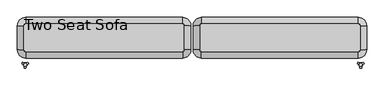
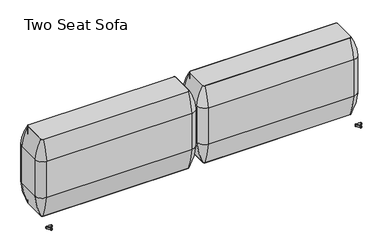
"""IFC4 building model written with IfcOpenShell, lengths in millimetres: furniture geometry, Two Seat Sofa."""

from ifc_helpers import new_model, si_unit, point, frame, frame_2d, origin, place, context, project, spatial, polyline, circle_curve, ellipse_curve, trimmed, segment, composite_curve, outline, extrude, source, transform, mapped, element, save
from ifc_brep_helpers import plane_surface, cylinder_surface, revolved_surface, advanced_brep


def two_seat_sofa_aba9447e(model_context):
    return source(origin(), model_context, "Body", "SolidModel", [
        extrude(outline(composite_curve([segment(trimmed(circle_curve(frame_2d((-213.138694, -52.3329307)), 9.8250752), [point((-203.3136188, -52.3329307))], [point((-213.138694, -62.1580059))], False, "CARTESIAN"), True, "CONTINUOUS"), segment(polyline([(-213.138694, -62.1580059), (-1197.4405465, -62.1580059)]), True, "CONTINUOUS"), segment(trimmed(circle_curve(frame_2d((-1197.4405465, -52.3329307)), 9.8250752), [point((-1197.4405465, -62.1580059))], [point((-1207.2656217, -52.3329307))], False, "CARTESIAN"), True, "CONTINUOUS"), segment(polyline([(-1207.2656217, -52.3329307), (-1207.2656217, 100.6400018)]), True, "CONTINUOUS"), segment(trimmed(circle_curve(frame_2d((-1197.4405465, 100.6400018)), 9.8250752), [point((-1207.2656217, 100.6400018))], [point((-1197.4405465, 110.465077))], False, "CARTESIAN"), True, "CONTINUOUS"), segment(polyline([(-1197.4405465, 110.465077), (-213.138694, 110.465077)]), True, "CONTINUOUS"), segment(trimmed(circle_curve(frame_2d((-213.138694, 100.6400018)), 9.8250752), [point((-213.138694, 110.465077))], [point((-203.3136188, 100.6400018))], False, "CARTESIAN"), True, "CONTINUOUS"), segment(polyline([(-203.3136188, 100.6400018), (-203.3136188, -52.3329307)]), True, "CONTINUOUS")], self_intersect=False)), frame((0.0, 0.0, 123.9999984), z_axis=(0.0, 0.0, 1.0), x_axis=(1.0, 0.0, 0.0)), (0.0, 0.0, 1.0), 552.7599232),
        advanced_brep(
        [(-1247.991929, 100.6400018, 283.1115097), (-1247.991929, -52.3329307, 283.1115097), (-1247.991929, -52.3329307, 543.4615097), (-1247.991929, 100.6400018, 543.4615097), (-1207.2656217, 100.6400018, 123.9999984), (-1207.2656217, -52.3329307, 123.9999984), (-1207.2656217, 100.6400018, 676.7599216), (-1207.2656217, -52.3329307, 676.7599216), (-1197.4405465, -102.8843132, 283.1115097), (-213.138694, -102.8843132, 283.1115097), (-213.138694, -102.8843132, 543.4615097), (-1197.4405465, -102.8843132, 543.4615097), (-1197.4405465, -62.1580059, 123.9999984), (-213.138694, -62.1580059, 123.9999984), (-1197.4405465, -62.1580059, 676.7599216), (-213.138694, -62.1580059, 676.7599216), (-162.5873115, -52.3329307, 283.1115097), (-162.5873115, 100.6400018, 283.1115097), (-162.5873115, 100.6400018, 543.4615097), (-162.5873115, -52.3329307, 543.4615097), (-203.3136188, -52.3329307, 123.9999984), (-203.3136188, 100.6400018, 123.9999984), (-203.3136188, -52.3329307, 676.7599216), (-203.3136188, 100.6400018, 676.7599216), (-213.138694, 151.1913843, 283.1115097), (-1197.4405465, 151.1913843, 283.1115097), (-1197.4405465, 151.1913843, 543.4615097), (-213.138694, 151.1913843, 543.4615097), (-213.138694, 110.465077, 123.9999984), (-1197.4405465, 110.465077, 123.9999984), (-213.138694, 110.465077, 676.7599216), (-1197.4405465, 110.465077, 676.7599216)],
        [
            (0, 1),
            (1, 2, circle_curve(frame((558.4957132, -52.3329307, 413.2865097), z_axis=(0.0, 1.0, 0.0), x_axis=(-1.0, 0.0, 0.0)), 1811.1717567)),
            (2, 3),
            (3, 0, circle_curve(frame((558.4957132, 100.6400018, 413.2865097), z_axis=(0.0, -1.0, 0.0), x_axis=(-1.0, 0.0, 0.0)), 1811.1717567)),
            (4, 5),
            (5, 1, circle_curve(frame((-787.0488338, -52.3329307, 316.3269417), z_axis=(0.0, 1.0, 0.0), x_axis=(-1.0, 0.0, 0.0)), 462.1382931)),
            (0, 4, circle_curve(frame((-787.0488338, 100.6400018, 316.3269417), z_axis=(0.0, -1.0, 0.0), x_axis=(-1.0, 0.0, 0.0)), 462.1382931)),
            (6, 7),
            (7, 5),
            (4, 6),
            (8, 9),
            (9, 10, circle_curve(frame((-213.138694, 1703.6033291, 413.2865097), z_axis=(-1.0, 0.0, 0.0), x_axis=(0.0, -1.0, 0.0)), 1811.1717567)),
            (10, 11),
            (11, 8, circle_curve(frame((-1197.4405465, 1703.6033291, 413.2865097), z_axis=(1.0, 0.0, 0.0), x_axis=(0.0, -1.0, 0.0)), 1811.1717567)),
            (12, 13),
            (13, 9, circle_curve(frame((-213.138694, 358.058782, 316.3269417), z_axis=(-1.0, 0.0, 0.0), x_axis=(0.0, -1.0, 0.0)), 462.1382931)),
            (8, 12, circle_curve(frame((-1197.4405465, 358.058782, 316.3269417), z_axis=(1.0, 0.0, 0.0), x_axis=(0.0, -1.0, 0.0)), 462.1382931)),
            (14, 15),
            (15, 13),
            (12, 14),
            (16, 17),
            (17, 18, circle_curve(frame((-1969.0749537, 100.6400018, 413.2865097), z_axis=(0.0, -1.0, 0.0), x_axis=(1.0, 0.0, 0.0)), 1811.1717567)),
            (18, 19),
            (19, 16, circle_curve(frame((-1969.0749537, -52.3329307, 413.2865097), z_axis=(0.0, 1.0, 0.0), x_axis=(1.0, 0.0, 0.0)), 1811.1717567)),
            (20, 21),
            (21, 17, circle_curve(frame((-623.5304067, 100.6400018, 316.3269417), z_axis=(0.0, -1.0, 0.0), x_axis=(1.0, 0.0, 0.0)), 462.1382931)),
            (16, 20, circle_curve(frame((-623.5304067, -52.3329307, 316.3269417), z_axis=(0.0, 1.0, 0.0), x_axis=(1.0, 0.0, 0.0)), 462.1382931)),
            (22, 23),
            (23, 21),
            (20, 22),
            (24, 25),
            (25, 26, circle_curve(frame((-1197.4405465, -1655.2962579, 413.2865097), z_axis=(1.0, 0.0, 0.0), x_axis=(0.0, 1.0, 0.0)), 1811.1717567)),
            (26, 27),
            (27, 24, circle_curve(frame((-213.138694, -1655.2962579, 413.2865097), z_axis=(-1.0, 0.0, 0.0), x_axis=(0.0, 1.0, 0.0)), 1811.1717567)),
            (28, 29),
            (29, 25, circle_curve(frame((-1197.4405465, -309.7517109, 316.3269417), z_axis=(1.0, 0.0, 0.0), x_axis=(0.0, 1.0, 0.0)), 462.1382931)),
            (24, 28, circle_curve(frame((-213.138694, -309.7517109, 316.3269417), z_axis=(-1.0, 0.0, 0.0), x_axis=(0.0, 1.0, 0.0)), 462.1382931)),
            (30, 31),
            (31, 29),
            (28, 30),
            (3, 26, circle_curve(frame((-1197.4405465, 100.6400018, 543.4615097), z_axis=(0.0, 0.0, -1.0), x_axis=(0.0, 1.0, 0.0)), 50.5513825)),
            (25, 0, circle_curve(frame((-1197.4405465, 100.6400018, 283.1115097), z_axis=(0.0, 0.0, 1.0), x_axis=(0.0, 1.0, 0.0)), 50.5513825)),
            (29, 4, circle_curve(frame((-1197.4405465, 100.6400018, 123.9999984), z_axis=(0.0, 0.0, 1.0), x_axis=(0.0, 1.0, 0.0)), 9.8250752)),
            (31, 6, circle_curve(frame((-1197.4405465, 100.6400018, 676.7599216), z_axis=(0.0, 0.0, 1.0), x_axis=(0.0, 1.0, 0.0)), 9.8250752)),
            (11, 2, circle_curve(frame((-1197.4405465, -52.3329307, 543.4615097), z_axis=(0.0, 0.0, -1.0), x_axis=(-1.0, 0.0, 0.0)), 50.5513825)),
            (1, 8, circle_curve(frame((-1197.4405465, -52.3329307, 283.1115097), z_axis=(0.0, 0.0, 1.0), x_axis=(-1.0, 0.0, 0.0)), 50.5513825)),
            (5, 12, circle_curve(frame((-1197.4405465, -52.3329307, 123.9999984), z_axis=(0.0, 0.0, 1.0), x_axis=(-1.0, 0.0, 0.0)), 9.8250752)),
            (7, 14, circle_curve(frame((-1197.4405465, -52.3329307, 676.7599216), z_axis=(0.0, 0.0, 1.0), x_axis=(-1.0, 0.0, 0.0)), 9.8250752)),
            (19, 10, circle_curve(frame((-213.138694, -52.3329307, 543.4615097), z_axis=(0.0, 0.0, -1.0), x_axis=(0.0, -1.0, 0.0)), 50.5513825)),
            (9, 16, circle_curve(frame((-213.138694, -52.3329307, 283.1115097), z_axis=(0.0, 0.0, 1.0), x_axis=(0.0, -1.0, 0.0)), 50.5513825)),
            (13, 20, circle_curve(frame((-213.138694, -52.3329307, 123.9999984), z_axis=(0.0, 0.0, 1.0), x_axis=(0.0, -1.0, 0.0)), 9.8250752)),
            (15, 22, circle_curve(frame((-213.138694, -52.3329307, 676.7599216), z_axis=(0.0, 0.0, 1.0), x_axis=(0.0, -1.0, 0.0)), 9.8250752)),
            (27, 18, circle_curve(frame((-213.138694, 100.6400018, 543.4615097), z_axis=(0.0, 0.0, -1.0), x_axis=(1.0, 0.0, 0.0)), 50.5513825)),
            (17, 24, circle_curve(frame((-213.138694, 100.6400018, 283.1115097), z_axis=(0.0, 0.0, 1.0), x_axis=(1.0, 0.0, 0.0)), 50.5513825)),
            (21, 28, circle_curve(frame((-213.138694, 100.6400018, 123.9999984), z_axis=(0.0, 0.0, 1.0), x_axis=(1.0, 0.0, 0.0)), 9.8250752)),
            (23, 30, circle_curve(frame((-213.138694, 100.6400018, 676.7599216), z_axis=(0.0, 0.0, 1.0), x_axis=(1.0, 0.0, 0.0)), 9.8250752)),
            (3, 6, circle_curve(frame((-935.8685118, 100.6400018, 520.9699825), z_axis=(0.0, 1.0, 0.0), x_axis=(-1.0, 0.0, 0.0)), 312.9327346)),
            (31, 26, circle_curve(frame((-1197.4405465, -160.9320329, 520.9699825), z_axis=(-1.0, 0.0, 0.0), x_axis=(0.0, 1.0, 0.0)), 312.9327346)),
            (2, 7, circle_curve(frame((-935.8685118, -52.3329307, 520.9699825), z_axis=(0.0, 1.0, 0.0), x_axis=(-1.0, 0.0, 0.0)), 312.9327346)),
            (11, 14, circle_curve(frame((-1197.4405465, 209.2391041, 520.9699825), z_axis=(-1.0, 0.0, 0.0), x_axis=(0.0, -1.0, 0.0)), 312.9327346)),
            (10, 15, circle_curve(frame((-213.138694, 209.2391041, 520.9699825), z_axis=(-1.0, 0.0, 0.0), x_axis=(0.0, -1.0, 0.0)), 312.9327346)),
            (19, 22, circle_curve(frame((-474.7107287, -52.3329307, 520.9699825), z_axis=(0.0, -1.0, 0.0), x_axis=(1.0, 0.0, 0.0)), 312.9327346)),
            (18, 23, circle_curve(frame((-474.7107287, 100.6400018, 520.9699825), z_axis=(0.0, -1.0, 0.0), x_axis=(1.0, 0.0, 0.0)), 312.9327346)),
            (27, 30, circle_curve(frame((-213.138694, -160.9320329, 520.9699825), z_axis=(1.0, 0.0, 0.0), x_axis=(0.0, 1.0, 0.0)), 312.9327346)),
        ],
        [
            cylinder_surface(frame((558.4957132, 100.6400018, 413.2865097), z_axis=(0.0, 1.0, 0.0), x_axis=(-1.0, 0.0, 0.0)), 1811.1717567),
            cylinder_surface(frame((-787.0488338, 100.6400018, 316.3269417), z_axis=(0.0, 1.0, 0.0), x_axis=(-1.0, 0.0, 0.0)), 462.1382931),
            plane_surface(frame((-1207.2656217, 100.6400018, 123.9999984), z_axis=(1.0, 0.0, 0.0), x_axis=(0.0, -1.0, 0.0))),
            cylinder_surface(frame((-1197.4405465, 1703.6033291, 413.2865097), z_axis=(-1.0, 0.0, 0.0), x_axis=(0.0, -1.0, 0.0)), 1811.1717567),
            cylinder_surface(frame((-1197.4405465, 358.058782, 316.3269417), z_axis=(-1.0, 0.0, 0.0), x_axis=(0.0, -1.0, 0.0)), 462.1382931),
            plane_surface(frame((-1197.4405465, -62.1580059, 123.9999984), z_axis=(0.0, 1.0, 0.0), x_axis=(1.0, 0.0, 0.0))),
            cylinder_surface(frame((-1969.0749537, -52.3329307, 413.2865097), z_axis=(0.0, -1.0, 0.0), x_axis=(1.0, 0.0, 0.0)), 1811.1717567),
            cylinder_surface(frame((-623.5304067, -52.3329307, 316.3269417), z_axis=(0.0, -1.0, 0.0), x_axis=(1.0, 0.0, 0.0)), 462.1382931),
            plane_surface(frame((-203.3136188, -52.3329307, 123.9999984), z_axis=(-1.0, 0.0, 0.0), x_axis=(0.0, 1.0, 0.0))),
            cylinder_surface(frame((-213.138694, -1655.2962579, 413.2865097), z_axis=(1.0, 0.0, 0.0), x_axis=(0.0, 1.0, 0.0)), 1811.1717567),
            cylinder_surface(frame((-213.138694, -309.7517109, 316.3269417), z_axis=(1.0, 0.0, 0.0), x_axis=(0.0, 1.0, 0.0)), 462.1382931),
            plane_surface(frame((-213.138694, 110.465077, 123.9999984), z_axis=(0.0, -1.0, 0.0), x_axis=(-1.0, 0.0, 0.0))),
            revolved_surface(trimmed(ellipse_curve(frame((-1197.4405465, -1655.2962579, 413.2865097), z_axis=(-1.0, 0.0, 0.0), x_axis=(0.0, 1.0, 0.0)), 1811.1717567, 1811.1717567), [point((-1197.4405465, 151.1913843, 543.4615097))], [point((-1197.4405465, 151.1913843, 283.1115097))], True, "CARTESIAN"), (-1197.4405465, 100.6400018, -1.2587073), (0.0, 0.0, -1.0)),
            revolved_surface(trimmed(ellipse_curve(frame((-1197.4405465, -309.7517109, 316.3269417), z_axis=(-1.0, 0.0, 0.0), x_axis=(0.0, 1.0, 0.0)), 462.1382931, 462.1382931), [point((-1197.4405465, 151.1913843, 283.1115097))], [point((-1197.4405465, 110.465077, 123.9999984))], True, "CARTESIAN"), (-1197.4405465, 100.6400018, -1.2587073), (0.0, 0.0, -1.0)),
            revolved_surface(polyline([(-1197.4405465, 110.465077, 123.9999984), (-1197.4405465, 110.465077, 676.7599216)]), (-1197.4405465, 100.6400018, -1.2587073), (0.0, 0.0, -1.0)),
            revolved_surface(trimmed(ellipse_curve(frame((558.4957132, -52.3329307, 413.2865097), z_axis=(0.0, -1.0, 0.0), x_axis=(-1.0, 0.0, 0.0)), 1811.1717567, 1811.1717567), [point((-1247.991929, -52.3329307, 543.4615097))], [point((-1247.991929, -52.3329307, 283.1115097))], True, "CARTESIAN"), (-1197.4405465, -52.3329307, -1.2587073), (0.0, 0.0, -1.0)),
            revolved_surface(trimmed(ellipse_curve(frame((-787.0488338, -52.3329307, 316.3269417), z_axis=(0.0, -1.0, 0.0), x_axis=(-1.0, 0.0, 0.0)), 462.1382931, 462.1382931), [point((-1247.991929, -52.3329307, 283.1115097))], [point((-1207.2656217, -52.3329307, 123.9999984))], True, "CARTESIAN"), (-1197.4405465, -52.3329307, -1.2587073), (0.0, 0.0, -1.0)),
            revolved_surface(polyline([(-1207.2656216999999, -52.3329307, 123.9999984), (-1207.2656216999999, -52.3329307, 676.7599216)]), (-1197.4405465, -52.3329307, -1.2587073), (0.0, 0.0, -1.0)),
            revolved_surface(trimmed(ellipse_curve(frame((-213.138694, 1703.6033291, 413.2865097), z_axis=(1.0, 0.0, 0.0), x_axis=(0.0, -1.0, 0.0)), 1811.1717567, 1811.1717567), [point((-213.138694, -102.8843132, 543.4615097))], [point((-213.138694, -102.8843132, 283.1115097))], True, "CARTESIAN"), (-213.138694, -52.3329307, -1.2587073), (0.0, 0.0, -1.0)),
            revolved_surface(trimmed(ellipse_curve(frame((-213.138694, 358.058782, 316.3269417), z_axis=(1.0, 0.0, 0.0), x_axis=(0.0, -1.0, 0.0)), 462.1382931, 462.1382931), [point((-213.138694, -102.8843132, 283.1115097))], [point((-213.138694, -62.1580059, 123.9999984))], True, "CARTESIAN"), (-213.138694, -52.3329307, -1.2587073), (0.0, 0.0, -1.0)),
            revolved_surface(polyline([(-213.138694, -62.1580059, 123.9999984), (-213.138694, -62.1580059, 676.7599216)]), (-213.138694, -52.3329307, -1.2587073), (0.0, 0.0, -1.0)),
            revolved_surface(trimmed(ellipse_curve(frame((-1969.0749537, 100.6400018, 413.2865097), z_axis=(0.0, 1.0, 0.0), x_axis=(1.0, 0.0, 0.0)), 1811.1717567, 1811.1717567), [point((-162.5873115, 100.6400018, 543.4615097))], [point((-162.5873115, 100.6400018, 283.1115097))], True, "CARTESIAN"), (-213.138694, 100.6400018, -1.2587073), (0.0, 0.0, -1.0)),
            revolved_surface(trimmed(ellipse_curve(frame((-623.5304067, 100.6400018, 316.3269417), z_axis=(0.0, 1.0, 0.0), x_axis=(1.0, 0.0, 0.0)), 462.1382931, 462.1382931), [point((-162.5873115, 100.6400018, 283.1115097))], [point((-203.3136188, 100.6400018, 123.9999984))], True, "CARTESIAN"), (-213.138694, 100.6400018, -1.2587073), (0.0, 0.0, -1.0)),
            revolved_surface(polyline([(-203.31361879999997, 100.6400018, 123.9999984), (-203.31361879999997, 100.6400018, 676.7599216)]), (-213.138694, 100.6400018, -1.2587073), (0.0, 0.0, -1.0)),
            revolved_surface(trimmed(ellipse_curve(frame((-1197.4405465, -160.9320329, 520.9699825), z_axis=(-1.0, 0.0, 0.0), x_axis=(0.0, 1.0, 0.0)), 312.9327346, 312.9327346), [point((-1197.4405465, 110.465077, 676.7599216))], [point((-1197.4405465, 151.1913843, 543.4615097))], True, "CARTESIAN"), (-1197.4405465, 100.6400018, -1.2587073), (0.0, 0.0, -1.0)),
            cylinder_surface(frame((-935.8685118, 100.6400018, 520.9699825), z_axis=(0.0, 1.0, 0.0), x_axis=(-1.0, 0.0, 0.0)), 312.9327346),
            revolved_surface(trimmed(ellipse_curve(frame((-935.8685118, -52.3329307, 520.9699825), z_axis=(0.0, -1.0, 0.0), x_axis=(-1.0, 0.0, 0.0)), 312.9327346, 312.9327346), [point((-1207.2656217, -52.3329307, 676.7599216))], [point((-1247.991929, -52.3329307, 543.4615097))], True, "CARTESIAN"), (-1197.4405465, -52.3329307, -1.2587073), (0.0, 0.0, -1.0)),
            cylinder_surface(frame((-1197.4405465, 209.2391041, 520.9699825), z_axis=(-1.0, 0.0, 0.0), x_axis=(0.0, -1.0, 0.0)), 312.9327346),
            revolved_surface(trimmed(ellipse_curve(frame((-213.138694, 209.2391041, 520.9699825), z_axis=(1.0, 0.0, 0.0), x_axis=(0.0, -1.0, 0.0)), 312.9327346, 312.9327346), [point((-213.138694, -62.1580059, 676.7599216))], [point((-213.138694, -102.8843132, 543.4615097))], True, "CARTESIAN"), (-213.138694, -52.3329307, -1.2587073), (0.0, 0.0, -1.0)),
            cylinder_surface(frame((-474.7107287, -52.3329307, 520.9699825), z_axis=(0.0, -1.0, 0.0), x_axis=(1.0, 0.0, 0.0)), 312.9327346),
            revolved_surface(trimmed(ellipse_curve(frame((-474.7107287, 100.6400018, 520.9699825), z_axis=(0.0, 1.0, 0.0), x_axis=(1.0, 0.0, 0.0)), 312.9327346, 312.9327346), [point((-203.3136188, 100.6400018, 676.7599216))], [point((-162.5873115, 100.6400018, 543.4615097))], True, "CARTESIAN"), (-213.138694, 100.6400018, -1.2587073), (0.0, 0.0, -1.0)),
            cylinder_surface(frame((-213.138694, -160.9320329, 520.9699825), z_axis=(1.0, 0.0, 0.0), x_axis=(0.0, 1.0, 0.0)), 312.9327346),
        ],
        [
            (0, [[1, 2, 3, 4]]),
            (1, [[5, 6, -1, 7]]),
            (2, [[8, 9, -5, 10]]),
            (3, [[11, 12, 13, 14]]),
            (4, [[15, 16, -11, 17]]),
            (5, [[18, 19, -15, 20]]),
            (6, [[21, 22, 23, 24]]),
            (7, [[25, 26, -21, 27]]),
            (8, [[28, 29, -25, 30]]),
            (9, [[31, 32, 33, 34]]),
            (10, [[35, 36, -31, 37]]),
            (11, [[38, 39, -35, 40]]),
            (12, [[-4, 41, -32, 42]]),
            (13, [[-7, -42, -36, 43]]),
            (14, [[-10, -43, -39, 44]]),
            (15, [[-14, 45, -2, 46]]),
            (16, [[-17, -46, -6, 47]]),
            (17, [[-20, -47, -9, 48]]),
            (18, [[-24, 49, -12, 50]]),
            (19, [[-27, -50, -16, 51]]),
            (20, [[-30, -51, -19, 52]]),
            (21, [[-34, 53, -22, 54]]),
            (22, [[-37, -54, -26, 55]]),
            (23, [[-40, -55, -29, 56]]),
            (24, [[57, -44, 58, -41]]),
            (25, [[-3, 59, -8, -57]]),
            (26, [[60, -48, -59, -45]]),
            (27, [[-13, 61, -18, -60]]),
            (28, [[62, -52, -61, -49]]),
            (29, [[-23, 63, -28, -62]]),
            (30, [[64, -56, -63, -53]]),
            (31, [[-33, -58, -38, -64]]),
        ],
    ),
        extrude(outline(composite_curve([segment(polyline([(-107.5769575, -52.3329307), (-107.5769575, 100.6400018)]), True, "CONTINUOUS"), segment(trimmed(circle_curve(frame_2d((-97.7518823, 100.6400018)), 9.8250752), [point((-107.5769575, 100.6400018))], [point((-97.7518823, 110.465077))], False, "CARTESIAN"), True, "CONTINUOUS"), segment(polyline([(-97.7518823, 110.465077), (886.5499702, 110.465077)]), True, "CONTINUOUS"), segment(trimmed(circle_curve(frame_2d((886.5499702, 100.6400018)), 9.8250752), [point((886.5499702, 110.465077))], [point((896.3750454, 100.6400018))], False, "CARTESIAN"), True, "CONTINUOUS"), segment(polyline([(896.3750454, 100.6400018), (896.3750454, -52.3329307)]), True, "CONTINUOUS"), segment(trimmed(circle_curve(frame_2d((886.5499702, -52.3329307)), 9.8250752), [point((896.3750454, -52.3329307))], [point((886.5499702, -62.1580059))], False, "CARTESIAN"), True, "CONTINUOUS"), segment(polyline([(886.5499702, -62.1580059), (-97.7518823, -62.1580059)]), True, "CONTINUOUS"), segment(trimmed(circle_curve(frame_2d((-97.7518823, -52.3329307)), 9.8250752), [point((-97.7518823, -62.1580059))], [point((-107.5769575, -52.3329307))], False, "CARTESIAN"), True, "CONTINUOUS")], self_intersect=False)), frame((0.0, 0.0, 123.9999984), z_axis=(0.0, 0.0, 1.0), x_axis=(1.0, 0.0, 0.0)), (0.0, 0.0, 1.0), 552.7599232),
        advanced_brep(
        [(937.1013527, 100.6400018, 283.1115097), (937.1013527, 100.6400018, 543.4615097), (937.1013527, -52.3329307, 543.4615097), (937.1013527, -52.3329307, 283.1115097), (896.3750454, 100.6400018, 123.9999984), (896.3750454, -52.3329307, 123.9999984), (896.3750454, 100.6400018, 676.7599216), (896.3750454, -52.3329307, 676.7599216), (886.5499702, -102.8843132, 283.1115097), (886.5499702, -102.8843132, 543.4615097), (-97.7518823, -102.8843132, 543.4615097), (-97.7518823, -102.8843132, 283.1115097), (886.5499702, -62.1580059, 123.9999984), (-97.7518823, -62.1580059, 123.9999984), (886.5499702, -62.1580059, 676.7599216), (-97.7518823, -62.1580059, 676.7599216), (-148.3032648, -52.3329307, 283.1115097), (-148.3032648, -52.3329307, 543.4615097), (-148.3032648, 100.6400018, 543.4615097), (-148.3032648, 100.6400018, 283.1115097), (-107.5769575, -52.3329307, 123.9999984), (-107.5769575, 100.6400018, 123.9999984), (-107.5769575, -52.3329307, 676.7599216), (-107.5769575, 100.6400018, 676.7599216), (-97.7518823, 151.1913843, 283.1115097), (-97.7518823, 151.1913843, 543.4615097), (886.5499702, 151.1913843, 543.4615097), (886.5499702, 151.1913843, 283.1115097), (-97.7518823, 110.465077, 123.9999984), (886.5499702, 110.465077, 123.9999984), (-97.7518823, 110.465077, 676.7599216), (886.5499702, 110.465077, 676.7599216)],
        [
            (0, 1, circle_curve(frame((-869.3862895, 100.6400018, 413.2865097), z_axis=(0.0, -1.0, 0.0), x_axis=(1.0, 0.0, 0.0)), 1811.1717567)),
            (1, 2),
            (2, 3, circle_curve(frame((-869.3862895, -52.3329307, 413.2865097), z_axis=(0.0, 1.0, 0.0), x_axis=(1.0, 0.0, 0.0)), 1811.1717567)),
            (3, 0),
            (4, 0, circle_curve(frame((476.1582575, 100.6400018, 316.3269417), z_axis=(0.0, -1.0, 0.0), x_axis=(1.0, 0.0, 0.0)), 462.1382931)),
            (3, 5, circle_curve(frame((476.1582575, -52.3329307, 316.3269417), z_axis=(0.0, 1.0, 0.0), x_axis=(1.0, 0.0, 0.0)), 462.1382931)),
            (5, 4),
            (6, 4),
            (5, 7),
            (7, 6),
            (8, 9, circle_curve(frame((886.5499702, 1703.6033291, 413.2865097), z_axis=(-1.0, 0.0, 0.0), x_axis=(0.0, -1.0, 0.0)), 1811.1717567)),
            (9, 10),
            (10, 11, circle_curve(frame((-97.7518823, 1703.6033291, 413.2865097), z_axis=(1.0, 0.0, 0.0), x_axis=(0.0, -1.0, 0.0)), 1811.1717567)),
            (11, 8),
            (12, 8, circle_curve(frame((886.5499702, 358.058782, 316.3269417), z_axis=(-1.0, 0.0, 0.0), x_axis=(0.0, -1.0, 0.0)), 462.1382931)),
            (11, 13, circle_curve(frame((-97.7518823, 358.058782, 316.3269417), z_axis=(1.0, 0.0, 0.0), x_axis=(0.0, -1.0, 0.0)), 462.1382931)),
            (13, 12),
            (14, 12),
            (13, 15),
            (15, 14),
            (16, 17, circle_curve(frame((1658.1843774, -52.3329307, 413.2865097), z_axis=(0.0, 1.0, 0.0), x_axis=(-1.0, 0.0, 0.0)), 1811.1717567)),
            (17, 18),
            (18, 19, circle_curve(frame((1658.1843774, 100.6400018, 413.2865097), z_axis=(0.0, -1.0, 0.0), x_axis=(-1.0, 0.0, 0.0)), 1811.1717567)),
            (19, 16),
            (20, 16, circle_curve(frame((312.6398304, -52.3329307, 316.3269417), z_axis=(0.0, 1.0, 0.0), x_axis=(-1.0, 0.0, 0.0)), 462.1382931)),
            (19, 21, circle_curve(frame((312.6398304, 100.6400018, 316.3269417), z_axis=(0.0, -1.0, 0.0), x_axis=(-1.0, 0.0, 0.0)), 462.1382931)),
            (21, 20),
            (22, 20),
            (21, 23),
            (23, 22),
            (24, 25, circle_curve(frame((-97.7518823, -1655.2962579, 413.2865097), z_axis=(1.0, 0.0, 0.0), x_axis=(0.0, 1.0, 0.0)), 1811.1717567)),
            (25, 26),
            (26, 27, circle_curve(frame((886.5499702, -1655.2962579, 413.2865097), z_axis=(-1.0, 0.0, 0.0), x_axis=(0.0, 1.0, 0.0)), 1811.1717567)),
            (27, 24),
            (28, 24, circle_curve(frame((-97.7518823, -309.7517109, 316.3269417), z_axis=(1.0, 0.0, 0.0), x_axis=(0.0, 1.0, 0.0)), 462.1382931)),
            (27, 29, circle_curve(frame((886.5499702, -309.7517109, 316.3269417), z_axis=(-1.0, 0.0, 0.0), x_axis=(0.0, 1.0, 0.0)), 462.1382931)),
            (29, 28),
            (30, 28),
            (29, 31),
            (31, 30),
            (0, 27, circle_curve(frame((886.5499702, 100.6400018, 283.1115097), z_axis=(0.0, 0.0, 1.0), x_axis=(0.0, 1.0, 0.0)), 50.5513825)),
            (26, 1, circle_curve(frame((886.5499702, 100.6400018, 543.4615097), z_axis=(0.0, 0.0, -1.0), x_axis=(0.0, 1.0, 0.0)), 50.5513825)),
            (4, 29, circle_curve(frame((886.5499702, 100.6400018, 123.9999984), z_axis=(0.0, 0.0, 1.0), x_axis=(0.0, 1.0, 0.0)), 9.8250752)),
            (6, 31, circle_curve(frame((886.5499702, 100.6400018, 676.7599216), z_axis=(0.0, 0.0, 1.0), x_axis=(0.0, 1.0, 0.0)), 9.8250752)),
            (8, 3, circle_curve(frame((886.5499702, -52.3329307, 283.1115097), z_axis=(0.0, 0.0, 1.0), x_axis=(1.0, 0.0, 0.0)), 50.5513825)),
            (2, 9, circle_curve(frame((886.5499702, -52.3329307, 543.4615097), z_axis=(0.0, 0.0, -1.0), x_axis=(1.0, 0.0, 0.0)), 50.5513825)),
            (12, 5, circle_curve(frame((886.5499702, -52.3329307, 123.9999984), z_axis=(0.0, 0.0, 1.0), x_axis=(1.0, 0.0, 0.0)), 9.8250752)),
            (14, 7, circle_curve(frame((886.5499702, -52.3329307, 676.7599216), z_axis=(0.0, 0.0, 1.0), x_axis=(1.0, 0.0, 0.0)), 9.8250752)),
            (16, 11, circle_curve(frame((-97.7518823, -52.3329307, 283.1115097), z_axis=(0.0, 0.0, 1.0), x_axis=(0.0, -1.0, 0.0)), 50.5513825)),
            (10, 17, circle_curve(frame((-97.7518823, -52.3329307, 543.4615097), z_axis=(0.0, 0.0, -1.0), x_axis=(0.0, -1.0, 0.0)), 50.5513825)),
            (20, 13, circle_curve(frame((-97.7518823, -52.3329307, 123.9999984), z_axis=(0.0, 0.0, 1.0), x_axis=(0.0, -1.0, 0.0)), 9.8250752)),
            (22, 15, circle_curve(frame((-97.7518823, -52.3329307, 676.7599216), z_axis=(0.0, 0.0, 1.0), x_axis=(0.0, -1.0, 0.0)), 9.8250752)),
            (24, 19, circle_curve(frame((-97.7518823, 100.6400018, 283.1115097), z_axis=(0.0, 0.0, 1.0), x_axis=(-1.0, 0.0, 0.0)), 50.5513825)),
            (18, 25, circle_curve(frame((-97.7518823, 100.6400018, 543.4615097), z_axis=(0.0, 0.0, -1.0), x_axis=(-1.0, 0.0, 0.0)), 50.5513825)),
            (28, 21, circle_curve(frame((-97.7518823, 100.6400018, 123.9999984), z_axis=(0.0, 0.0, 1.0), x_axis=(-1.0, 0.0, 0.0)), 9.8250752)),
            (30, 23, circle_curve(frame((-97.7518823, 100.6400018, 676.7599216), z_axis=(0.0, 0.0, 1.0), x_axis=(-1.0, 0.0, 0.0)), 9.8250752)),
            (26, 31, circle_curve(frame((886.5499702, -160.9320329, 520.9699825), z_axis=(1.0, 0.0, 0.0), x_axis=(0.0, 1.0, 0.0)), 312.9327346)),
            (6, 1, circle_curve(frame((624.9779355, 100.6400018, 520.9699825), z_axis=(0.0, 1.0, 0.0), x_axis=(1.0, 0.0, 0.0)), 312.9327346)),
            (7, 2, circle_curve(frame((624.9779355, -52.3329307, 520.9699825), z_axis=(0.0, 1.0, 0.0), x_axis=(1.0, 0.0, 0.0)), 312.9327346)),
            (14, 9, circle_curve(frame((886.5499702, 209.2391041, 520.9699825), z_axis=(1.0, 0.0, 0.0), x_axis=(0.0, -1.0, 0.0)), 312.9327346)),
            (15, 10, circle_curve(frame((-97.7518823, 209.2391041, 520.9699825), z_axis=(1.0, 0.0, 0.0), x_axis=(0.0, -1.0, 0.0)), 312.9327346)),
            (22, 17, circle_curve(frame((163.8201524, -52.3329307, 520.9699825), z_axis=(0.0, -1.0, 0.0), x_axis=(-1.0, 0.0, 0.0)), 312.9327346)),
            (23, 18, circle_curve(frame((163.8201524, 100.6400018, 520.9699825), z_axis=(0.0, -1.0, 0.0), x_axis=(-1.0, 0.0, 0.0)), 312.9327346)),
            (30, 25, circle_curve(frame((-97.7518823, -160.9320329, 520.9699825), z_axis=(-1.0, 0.0, 0.0), x_axis=(0.0, 1.0, 0.0)), 312.9327346)),
        ],
        [
            cylinder_surface(frame((-869.3862895, 100.6400018, 413.2865097), z_axis=(0.0, 1.0, 0.0), x_axis=(1.0, 0.0, 0.0)), 1811.1717567),
            cylinder_surface(frame((476.1582575, 100.6400018, 316.3269417), z_axis=(0.0, 1.0, 0.0), x_axis=(1.0, 0.0, 0.0)), 462.1382931),
            plane_surface(frame((896.3750454, 100.6400018, 123.9999984), z_axis=(-1.0, 0.0, 0.0), x_axis=(0.0, -1.0, 0.0))),
            cylinder_surface(frame((886.5499702, 1703.6033291, 413.2865097), z_axis=(1.0, 0.0, 0.0), x_axis=(0.0, -1.0, 0.0)), 1811.1717567),
            cylinder_surface(frame((886.5499702, 358.058782, 316.3269417), z_axis=(1.0, 0.0, 0.0), x_axis=(0.0, -1.0, 0.0)), 462.1382931),
            plane_surface(frame((886.5499702, -62.1580059, 123.9999984), z_axis=(0.0, 1.0, 0.0), x_axis=(-1.0, 0.0, 0.0))),
            cylinder_surface(frame((1658.1843774, -52.3329307, 413.2865097), z_axis=(0.0, -1.0, 0.0), x_axis=(-1.0, 0.0, 0.0)), 1811.1717567),
            cylinder_surface(frame((312.6398304, -52.3329307, 316.3269417), z_axis=(0.0, -1.0, 0.0), x_axis=(-1.0, 0.0, 0.0)), 462.1382931),
            plane_surface(frame((-107.5769575, -52.3329307, 123.9999984), z_axis=(1.0, 0.0, 0.0), x_axis=(0.0, 1.0, 0.0))),
            cylinder_surface(frame((-97.7518823, -1655.2962579, 413.2865097), z_axis=(-1.0, 0.0, 0.0), x_axis=(0.0, 1.0, 0.0)), 1811.1717567),
            cylinder_surface(frame((-97.7518823, -309.7517109, 316.3269417), z_axis=(-1.0, 0.0, 0.0), x_axis=(0.0, 1.0, 0.0)), 462.1382931),
            plane_surface(frame((-97.7518823, 110.465077, 123.9999984), z_axis=(0.0, -1.0, 0.0), x_axis=(1.0, 0.0, 0.0))),
            revolved_surface(trimmed(ellipse_curve(frame((886.5499702, -1655.2962579, 413.2865097), z_axis=(-1.0, 0.0, 0.0), x_axis=(0.0, 1.0, 0.0)), 1811.1717567, 1811.1717567), [point((886.5499702, 151.1913843, 543.4615097))], [point((886.5499702, 151.1913843, 283.1115097))], True, "CARTESIAN"), (886.5499702, 100.6400018, -1.2587073), (0.0, 0.0, -1.0)),
            revolved_surface(trimmed(ellipse_curve(frame((886.5499702, -309.7517109, 316.3269417), z_axis=(-1.0, 0.0, 0.0), x_axis=(0.0, 1.0, 0.0)), 462.1382931, 462.1382931), [point((886.5499702, 151.1913843, 283.1115097))], [point((886.5499702, 110.465077, 123.9999984))], True, "CARTESIAN"), (886.5499702, 100.6400018, -1.2587073), (0.0, 0.0, -1.0)),
            revolved_surface(polyline([(886.5499702, 110.465077, 123.9999984), (886.5499702, 110.465077, 676.7599216)]), (886.5499702, 100.6400018, -1.2587073), (0.0, 0.0, -1.0)),
            revolved_surface(trimmed(ellipse_curve(frame((-869.3862895, -52.3329307, 413.2865097), z_axis=(0.0, 1.0, 0.0), x_axis=(1.0, 0.0, 0.0)), 1811.1717567, 1811.1717567), [point((937.1013527, -52.3329307, 543.4615097))], [point((937.1013527, -52.3329307, 283.1115097))], True, "CARTESIAN"), (886.5499702, -52.3329307, -1.2587073), (0.0, 0.0, -1.0)),
            revolved_surface(trimmed(ellipse_curve(frame((476.1582575, -52.3329307, 316.3269417), z_axis=(0.0, 1.0, 0.0), x_axis=(1.0, 0.0, 0.0)), 462.1382931, 462.1382931), [point((937.1013527, -52.3329307, 283.1115097))], [point((896.3750454, -52.3329307, 123.9999984))], True, "CARTESIAN"), (886.5499702, -52.3329307, -1.2587073), (0.0, 0.0, -1.0)),
            revolved_surface(polyline([(896.3750454, -52.3329307, 123.9999984), (896.3750454, -52.3329307, 676.7599216)]), (886.5499702, -52.3329307, -1.2587073), (0.0, 0.0, -1.0)),
            revolved_surface(trimmed(ellipse_curve(frame((-97.7518823, 1703.6033291, 413.2865097), z_axis=(1.0, 0.0, 0.0), x_axis=(0.0, -1.0, 0.0)), 1811.1717567, 1811.1717567), [point((-97.7518823, -102.8843132, 543.4615097))], [point((-97.7518823, -102.8843132, 283.1115097))], True, "CARTESIAN"), (-97.7518823, -52.3329307, -1.2587073), (0.0, 0.0, -1.0)),
            revolved_surface(trimmed(ellipse_curve(frame((-97.7518823, 358.058782, 316.3269417), z_axis=(1.0, 0.0, 0.0), x_axis=(0.0, -1.0, 0.0)), 462.1382931, 462.1382931), [point((-97.7518823, -102.8843132, 283.1115097))], [point((-97.7518823, -62.1580059, 123.9999984))], True, "CARTESIAN"), (-97.7518823, -52.3329307, -1.2587073), (0.0, 0.0, -1.0)),
            revolved_surface(polyline([(-97.7518823, -62.1580059, 123.9999984), (-97.7518823, -62.1580059, 676.7599216)]), (-97.7518823, -52.3329307, -1.2587073), (0.0, 0.0, -1.0)),
            revolved_surface(trimmed(ellipse_curve(frame((1658.1843774, 100.6400018, 413.2865097), z_axis=(0.0, -1.0, 0.0), x_axis=(-1.0, 0.0, 0.0)), 1811.1717567, 1811.1717567), [point((-148.3032648, 100.6400018, 543.4615097))], [point((-148.3032648, 100.6400018, 283.1115097))], True, "CARTESIAN"), (-97.7518823, 100.6400018, -1.2587073), (0.0, 0.0, -1.0)),
            revolved_surface(trimmed(ellipse_curve(frame((312.6398304, 100.6400018, 316.3269417), z_axis=(0.0, -1.0, 0.0), x_axis=(-1.0, 0.0, 0.0)), 462.1382931, 462.1382931), [point((-148.3032648, 100.6400018, 283.1115097))], [point((-107.5769575, 100.6400018, 123.9999984))], True, "CARTESIAN"), (-97.7518823, 100.6400018, -1.2587073), (0.0, 0.0, -1.0)),
            revolved_surface(polyline([(-107.5769575, 100.6400018, 123.9999984), (-107.5769575, 100.6400018, 676.7599216)]), (-97.7518823, 100.6400018, -1.2587073), (0.0, 0.0, -1.0)),
            revolved_surface(trimmed(ellipse_curve(frame((886.5499702, -160.9320329, 520.9699825), z_axis=(-1.0, 0.0, 0.0), x_axis=(0.0, 1.0, 0.0)), 312.9327346, 312.9327346), [point((886.5499702, 110.465077, 676.7599216))], [point((886.5499702, 151.1913843, 543.4615097))], True, "CARTESIAN"), (886.5499702, 100.6400018, -1.2587073), (0.0, 0.0, -1.0)),
            cylinder_surface(frame((624.9779355, 100.6400018, 520.9699825), z_axis=(0.0, 1.0, 0.0), x_axis=(1.0, 0.0, 0.0)), 312.9327346),
            revolved_surface(trimmed(ellipse_curve(frame((624.9779355, -52.3329307, 520.9699825), z_axis=(0.0, 1.0, 0.0), x_axis=(1.0, 0.0, 0.0)), 312.9327346, 312.9327346), [point((896.3750454, -52.3329307, 676.7599216))], [point((937.1013527, -52.3329307, 543.4615097))], True, "CARTESIAN"), (886.5499702, -52.3329307, -1.2587073), (0.0, 0.0, -1.0)),
            cylinder_surface(frame((886.5499702, 209.2391041, 520.9699825), z_axis=(1.0, 0.0, 0.0), x_axis=(0.0, -1.0, 0.0)), 312.9327346),
            revolved_surface(trimmed(ellipse_curve(frame((-97.7518823, 209.2391041, 520.9699825), z_axis=(1.0, 0.0, 0.0), x_axis=(0.0, -1.0, 0.0)), 312.9327346, 312.9327346), [point((-97.7518823, -62.1580059, 676.7599216))], [point((-97.7518823, -102.8843132, 543.4615097))], True, "CARTESIAN"), (-97.7518823, -52.3329307, -1.2587073), (0.0, 0.0, -1.0)),
            cylinder_surface(frame((163.8201524, -52.3329307, 520.9699825), z_axis=(0.0, -1.0, 0.0), x_axis=(-1.0, 0.0, 0.0)), 312.9327346),
            revolved_surface(trimmed(ellipse_curve(frame((163.8201524, 100.6400018, 520.9699825), z_axis=(0.0, -1.0, 0.0), x_axis=(-1.0, 0.0, 0.0)), 312.9327346, 312.9327346), [point((-107.5769575, 100.6400018, 676.7599216))], [point((-148.3032648, 100.6400018, 543.4615097))], True, "CARTESIAN"), (-97.7518823, 100.6400018, -1.2587073), (0.0, 0.0, -1.0)),
            cylinder_surface(frame((-97.7518823, -160.9320329, 520.9699825), z_axis=(-1.0, 0.0, 0.0), x_axis=(0.0, 1.0, 0.0)), 312.9327346),
        ],
        [
            (0, [[1, 2, 3, 4]]),
            (1, [[5, -4, 6, 7]]),
            (2, [[8, -7, 9, 10]]),
            (3, [[11, 12, 13, 14]]),
            (4, [[15, -14, 16, 17]]),
            (5, [[18, -17, 19, 20]]),
            (6, [[21, 22, 23, 24]]),
            (7, [[25, -24, 26, 27]]),
            (8, [[28, -27, 29, 30]]),
            (9, [[31, 32, 33, 34]]),
            (10, [[35, -34, 36, 37]]),
            (11, [[38, -37, 39, 40]]),
            (12, [[41, -33, 42, -1]]),
            (13, [[43, -36, -41, -5]]),
            (14, [[44, -39, -43, -8]]),
            (15, [[45, -3, 46, -11]]),
            (16, [[47, -6, -45, -15]]),
            (17, [[48, -9, -47, -18]]),
            (18, [[49, -13, 50, -21]]),
            (19, [[51, -16, -49, -25]]),
            (20, [[52, -19, -51, -28]]),
            (21, [[53, -23, 54, -31]]),
            (22, [[55, -26, -53, -35]]),
            (23, [[56, -29, -55, -38]]),
            (24, [[-42, 57, -44, 58]]),
            (25, [[-58, -10, 59, -2]]),
            (26, [[-46, -59, -48, 60]]),
            (27, [[-60, -20, 61, -12]]),
            (28, [[-50, -61, -52, 62]]),
            (29, [[-62, -30, 63, -22]]),
            (30, [[-54, -63, -56, 64]]),
            (31, [[-64, -40, -57, -32]]),
        ],
    ),
        advanced_brep(
        [(-1216.6567178, -130.2721038, 98.611642), (-1220.879306, -137.585841, 98.611642), (-1220.4813572, -138.7518724, 98.611642), (-1204.6620864, -166.1516574, 98.611642), (-1203.8512529, -167.0792988, 98.611642), (-1195.4060744, -167.0792988, 98.611642), (-1194.6015461, -165.9895174, 98.611642), (-1178.4992931, -138.4877144, 98.611642), (-1178.378016, -137.5858427, 98.611642), (-1182.600606, -130.2721023, 98.611642), (-1183.8093894, -130.0337175, 98.611642), (-1215.4479379, -130.0337175, 98.611642), (-1190.2557871, -145.1926245, 98.611642), (-1209.160799, -145.1926245, 98.611642), (-1216.6567178, -130.2721038, 88.6531552), (-1215.4479379, -130.0337175, 88.6531552), (-1183.8093894, -130.0337175, 88.6531552), (-1182.600606, -130.2721023, 88.6531552), (-1178.378016, -137.5858427, 88.6531552), (-1178.4992931, -138.4877144, 88.6531552), (-1194.6015461, -165.9895174, 88.6531552), (-1195.4060744, -167.0792988, 88.6531552), (-1203.8512529, -167.0792988, 88.6531552), (-1204.6620864, -166.1516574, 88.6531552), (-1220.4813572, -138.7518724, 88.6531552), (-1220.879306, -137.585841, 88.6531552), (-1209.160799, -145.1926245, 103.6569541), (-1190.2557871, -145.1926245, 103.6569541)],
        [
            (0, 1, circle_curve(frame((-1198.3972298, -145.690049, 98.611642), z_axis=(0.0, 0.0, 1.0), x_axis=(1.0, 0.0, 0.0)), 23.8981576)),
            (1, 2, circle_curve(frame((-1219.9517474, -137.920202, 98.611642), z_axis=(0.0, 0.0, 1.0), x_axis=(1.0, 0.0, 0.0)), 0.9859828)),
            (2, 3, circle_curve(frame((-1238.8767271, -167.6389644, 98.611642), z_axis=(0.0, 0.0, -1.0), x_axis=(1.0, 0.0, 0.0)), 34.246952)),
            (3, 4, circle_curve(frame((-1203.6770431, -166.1088376, 98.611642), z_axis=(0.0, 0.0, 1.0), x_axis=(1.0, 0.0, 0.0)), 0.9859736)),
            (4, 5, circle_curve(frame((-1199.6286636, -143.5567534, 98.611642), z_axis=(0.0, 0.0, 1.0), x_axis=(1.0, 0.0, 0.0)), 23.8985439)),
            (5, 6, circle_curve(frame((-1195.5802862, -166.1088262, 98.611642), z_axis=(0.0, 0.0, 1.0), x_axis=(1.0, 0.0, 0.0)), 0.9859852)),
            (6, 7, circle_curve(frame((-1160.3798725, -167.5614211, 98.611642), z_axis=(0.0, 0.0, -1.0), x_axis=(1.0, 0.0, 0.0)), 34.2577557)),
            (7, 8, circle_curve(frame((-1179.3055775, -137.9202011, 98.611642), z_axis=(0.0, 0.0, 1.0), x_axis=(1.0, 0.0, 0.0)), 0.9859847)),
            (8, 9, circle_curve(frame((-1200.8597064, -145.6898258, 98.611642), z_axis=(0.0, 0.0, 1.0), x_axis=(1.0, 0.0, 0.0)), 23.8977184)),
            (9, 10, circle_curve(frame((-1183.3539522, -130.9082171, 98.611642), z_axis=(0.0, 0.0, 1.0), x_axis=(1.0, 0.0, 0.0)), 0.9859881)),
            (10, 11, circle_curve(frame((-1199.6286636, -99.6586209, 98.611642), z_axis=(0.0, 0.0, -1.0), x_axis=(1.0, 0.0, 0.0)), 34.2475683)),
            (11, 0, circle_curve(frame((-1215.9033729, -130.9082131, 98.611642), z_axis=(0.0, 0.0, 1.0), x_axis=(1.0, 0.0, 0.0)), 0.9859835)),
            (12, 13, circle_curve(frame((-1199.7082931, -145.1926245, 98.611642), z_axis=(0.0, 0.0, -1.0), x_axis=(1.0, 0.0, 0.0)), 9.452506)),
            (13, 12, circle_curve(frame((-1199.7082931, -145.1926245, 98.611642), z_axis=(0.0, 0.0, -1.0), x_axis=(1.0, 0.0, 0.0)), 9.452506)),
            (14, 15, circle_curve(frame((-1215.9033729, -130.9082131, 88.6531552), z_axis=(0.0, 0.0, -1.0), x_axis=(1.0, 0.0, 0.0)), 0.9859835)),
            (15, 16, circle_curve(frame((-1199.6286636, -99.6586209, 88.6531552), z_axis=(0.0, 0.0, 1.0), x_axis=(1.0, 0.0, 0.0)), 34.2475683)),
            (16, 17, circle_curve(frame((-1183.3539522, -130.9082171, 88.6531552), z_axis=(0.0, 0.0, -1.0), x_axis=(1.0, 0.0, 0.0)), 0.9859881)),
            (17, 18, circle_curve(frame((-1200.8597064, -145.6898258, 88.6531552), z_axis=(0.0, 0.0, -1.0), x_axis=(1.0, 0.0, 0.0)), 23.8977184)),
            (18, 19, circle_curve(frame((-1179.3055775, -137.9202011, 88.6531552), z_axis=(0.0, 0.0, -1.0), x_axis=(1.0, 0.0, 0.0)), 0.9859847)),
            (19, 20, circle_curve(frame((-1160.3798725, -167.5614211, 88.6531552), z_axis=(0.0, 0.0, 1.0), x_axis=(1.0, 0.0, 0.0)), 34.2577557)),
            (20, 21, circle_curve(frame((-1195.5802862, -166.1088262, 88.6531552), z_axis=(0.0, 0.0, -1.0), x_axis=(1.0, 0.0, 0.0)), 0.9859852)),
            (21, 22, circle_curve(frame((-1199.6286636, -143.5567534, 88.6531552), z_axis=(0.0, 0.0, -1.0), x_axis=(1.0, 0.0, 0.0)), 23.8985439)),
            (22, 23, circle_curve(frame((-1203.6770431, -166.1088376, 88.6531552), z_axis=(0.0, 0.0, -1.0), x_axis=(1.0, 0.0, 0.0)), 0.9859736)),
            (23, 24, circle_curve(frame((-1238.8767271, -167.6389644, 88.6531552), z_axis=(0.0, 0.0, 1.0), x_axis=(1.0, 0.0, 0.0)), 34.246952)),
            (24, 25, circle_curve(frame((-1219.9517474, -137.920202, 88.6531552), z_axis=(0.0, 0.0, -1.0), x_axis=(1.0, 0.0, 0.0)), 0.9859828)),
            (25, 14, circle_curve(frame((-1198.3972298, -145.690049, 88.6531552), z_axis=(0.0, 0.0, -1.0), x_axis=(1.0, 0.0, 0.0)), 23.8981576)),
            (26, 27, circle_curve(frame((-1199.7082931, -145.1926245, 103.6569541), z_axis=(0.0, 0.0, 1.0), x_axis=(1.0, 0.0, 0.0)), 9.452506)),
            (27, 26, circle_curve(frame((-1199.7082931, -145.1926245, 103.6569541), z_axis=(0.0, 0.0, 1.0), x_axis=(1.0, 0.0, 0.0)), 9.452506)),
            (0, 14),
            (25, 1),
            (24, 2),
            (23, 3),
            (22, 4),
            (21, 5),
            (20, 6),
            (19, 7),
            (18, 8),
            (17, 9),
            (16, 10),
            (15, 11),
            (26, 13),
            (12, 27),
        ],
        [
            plane_surface(frame((-1174.4990722, -145.690049, 98.611642), z_axis=(0.0, 0.0, 1.0), x_axis=(0.0, 1.0, 0.0))),
            plane_surface(frame((-1174.4990722, -145.690049, 88.6531552), z_axis=(0.0, 0.0, -1.0), x_axis=(0.0, -1.0, 0.0))),
            plane_surface(frame((-1190.2557871, -145.1926245, 103.6569541), z_axis=(0.0, 0.0, 1.0), x_axis=(0.0, 1.0, 0.0))),
            cylinder_surface(frame((-1198.3972298, -145.690049, 88.6531552), z_axis=(0.0, 0.0, 1.0), x_axis=(1.0, 0.0, 0.0)), 23.8981576),
            cylinder_surface(frame((-1219.9517474, -137.920202, 88.6531552), z_axis=(0.0, 0.0, 1.0), x_axis=(1.0, 0.0, 0.0)), 0.9859828),
            revolved_surface(polyline([(-1204.6297751, -167.6389644, 88.6531552), (-1204.6297751, -167.6389644, 98.611642)]), (-1238.8767271, -167.6389644, 88.6531552), (0.0, 0.0, -1.0)),
            cylinder_surface(frame((-1203.6770431, -166.1088376, 88.6531552), z_axis=(0.0, 0.0, 1.0), x_axis=(1.0, 0.0, 0.0)), 0.9859736),
            cylinder_surface(frame((-1199.6286636, -143.5567534, 88.6531552), z_axis=(0.0, 0.0, 1.0), x_axis=(1.0, 0.0, 0.0)), 23.8985439),
            cylinder_surface(frame((-1195.5802862, -166.1088262, 88.6531552), z_axis=(0.0, 0.0, 1.0), x_axis=(1.0, 0.0, 0.0)), 0.9859852),
            revolved_surface(polyline([(-1126.1221168, -167.5614211, 88.6531552), (-1126.1221168, -167.5614211, 98.611642)]), (-1160.3798725, -167.5614211, 88.6531552), (0.0, 0.0, -1.0)),
            cylinder_surface(frame((-1179.3055775, -137.9202011, 88.6531552), z_axis=(0.0, 0.0, 1.0), x_axis=(1.0, 0.0, 0.0)), 0.9859847),
            cylinder_surface(frame((-1200.8597064, -145.6898258, 88.6531552), z_axis=(0.0, 0.0, 1.0), x_axis=(1.0, 0.0, 0.0)), 23.8977184),
            cylinder_surface(frame((-1183.3539522, -130.9082171, 88.6531552), z_axis=(0.0, 0.0, 1.0), x_axis=(1.0, 0.0, 0.0)), 0.9859881),
            revolved_surface(polyline([(-1165.3810953, -99.6586209, 88.6531552), (-1165.3810953, -99.6586209, 98.611642)]), (-1199.6286636, -99.6586209, 88.6531552), (0.0, 0.0, -1.0)),
            cylinder_surface(frame((-1215.9033729, -130.9082131, 88.6531552), z_axis=(0.0, 0.0, 1.0), x_axis=(1.0, 0.0, 0.0)), 0.9859835),
            cylinder_surface(frame((-1199.7082931, -145.1926245, 98.611642), z_axis=(0.0, 0.0, 1.0), x_axis=(1.0, 0.0, 0.0)), 9.452506),
        ],
        [
            (0, [[1, 2, 3, 4, 5, 6, 7, 8, 9, 10, 11, 12], [13, 14]]),
            (1, [[15, 16, 17, 18, 19, 20, 21, 22, 23, 24, 25, 26]]),
            (2, [[27, 28]]),
            (3, [[-1, 29, -26, 30]]),
            (4, [[-2, -30, -25, 31]]),
            (5, [[-3, -31, -24, 32]]),
            (6, [[-4, -32, -23, 33]]),
            (7, [[-5, -33, -22, 34]]),
            (8, [[-6, -34, -21, 35]]),
            (9, [[-7, -35, -20, 36]]),
            (10, [[-8, -36, -19, 37]]),
            (11, [[-9, -37, -18, 38]]),
            (12, [[-10, -38, -17, 39]]),
            (13, [[-11, -39, -16, 40]]),
            (14, [[-12, -40, -15, -29]]),
            (15, [[-27, 41, -13, 42]]),
            (15, [[-28, -42, -14, -41]]),
        ],
    ),
        advanced_brep(
        [(883.5433829, -130.2721038, 98.611642), (879.3207947, -137.585841, 98.611642), (879.7187435, -138.7518724, 98.611642), (895.5380143, -166.1516574, 98.611642), (896.3488478, -167.0792988, 98.611642), (904.7940264, -167.0792988, 98.611642), (905.5985546, -165.9895174, 98.611642), (921.7008076, -138.4877144, 98.611642), (921.8220847, -137.5858427, 98.611642), (917.5994947, -130.2721023, 98.611642), (916.3907113, -130.0337175, 98.611642), (884.7521628, -130.0337175, 98.611642), (909.9443136, -145.1926245, 98.611642), (891.0393017, -145.1926245, 98.611642), (883.5433829, -130.2721038, 88.6531552), (884.7521628, -130.0337175, 88.6531552), (916.3907113, -130.0337175, 88.6531552), (917.5994947, -130.2721023, 88.6531552), (921.8220847, -137.5858427, 88.6531552), (921.7008076, -138.4877144, 88.6531552), (905.5985546, -165.9895174, 88.6531552), (904.7940264, -167.0792988, 88.6531552), (896.3488478, -167.0792988, 88.6531552), (895.5380143, -166.1516574, 88.6531552), (879.7187435, -138.7518724, 88.6531552), (879.3207947, -137.585841, 88.6531552), (891.0393017, -145.1926245, 103.6569541), (909.9443136, -145.1926245, 103.6569541)],
        [
            (0, 1, circle_curve(frame((901.8028709, -145.690049, 98.611642), z_axis=(0.0, 0.0, 1.0), x_axis=(1.0, 0.0, 0.0)), 23.8981576)),
            (1, 2, circle_curve(frame((880.2483533, -137.920202, 98.611642), z_axis=(0.0, 0.0, 1.0), x_axis=(1.0, 0.0, 0.0)), 0.9859828)),
            (2, 3, circle_curve(frame((861.3233736, -167.6389644, 98.611642), z_axis=(0.0, 0.0, -1.0), x_axis=(1.0, 0.0, 0.0)), 34.246952)),
            (3, 4, circle_curve(frame((896.5230576, -166.1088376, 98.611642), z_axis=(0.0, 0.0, 1.0), x_axis=(1.0, 0.0, 0.0)), 0.9859736)),
            (4, 5, circle_curve(frame((900.5714371, -143.5567534, 98.611642), z_axis=(0.0, 0.0, 1.0), x_axis=(1.0, 0.0, 0.0)), 23.8985439)),
            (5, 6, circle_curve(frame((904.6198145, -166.1088262, 98.611642), z_axis=(0.0, 0.0, 1.0), x_axis=(1.0, 0.0, 0.0)), 0.9859852)),
            (6, 7, circle_curve(frame((939.8202282, -167.5614211, 98.611642), z_axis=(0.0, 0.0, -1.0), x_axis=(1.0, 0.0, 0.0)), 34.2577557)),
            (7, 8, circle_curve(frame((920.8945232, -137.9202011, 98.611642), z_axis=(0.0, 0.0, 1.0), x_axis=(1.0, 0.0, 0.0)), 0.9859847)),
            (8, 9, circle_curve(frame((899.3403943, -145.6898258, 98.611642), z_axis=(0.0, 0.0, 1.0), x_axis=(1.0, 0.0, 0.0)), 23.8977184)),
            (9, 10, circle_curve(frame((916.8461485, -130.9082171, 98.611642), z_axis=(0.0, 0.0, 1.0), x_axis=(1.0, 0.0, 0.0)), 0.9859881)),
            (10, 11, circle_curve(frame((900.5714371, -99.6586209, 98.611642), z_axis=(0.0, 0.0, -1.0), x_axis=(1.0, 0.0, 0.0)), 34.2475683)),
            (11, 0, circle_curve(frame((884.2967278, -130.9082131, 98.611642), z_axis=(0.0, 0.0, 1.0), x_axis=(1.0, 0.0, 0.0)), 0.9859835)),
            (12, 13, circle_curve(frame((900.4918076, -145.1926245, 98.611642), z_axis=(0.0, 0.0, -1.0), x_axis=(1.0, 0.0, 0.0)), 9.452506)),
            (13, 12, circle_curve(frame((900.4918076, -145.1926245, 98.611642), z_axis=(0.0, 0.0, -1.0), x_axis=(1.0, 0.0, 0.0)), 9.452506)),
            (14, 15, circle_curve(frame((884.2967278, -130.9082131, 88.6531552), z_axis=(0.0, 0.0, -1.0), x_axis=(1.0, 0.0, 0.0)), 0.9859835)),
            (15, 16, circle_curve(frame((900.5714371, -99.6586209, 88.6531552), z_axis=(0.0, 0.0, 1.0), x_axis=(1.0, 0.0, 0.0)), 34.2475683)),
            (16, 17, circle_curve(frame((916.8461485, -130.9082171, 88.6531552), z_axis=(0.0, 0.0, -1.0), x_axis=(1.0, 0.0, 0.0)), 0.9859881)),
            (17, 18, circle_curve(frame((899.3403943, -145.6898258, 88.6531552), z_axis=(0.0, 0.0, -1.0), x_axis=(1.0, 0.0, 0.0)), 23.8977184)),
            (18, 19, circle_curve(frame((920.8945232, -137.9202011, 88.6531552), z_axis=(0.0, 0.0, -1.0), x_axis=(1.0, 0.0, 0.0)), 0.9859847)),
            (19, 20, circle_curve(frame((939.8202282, -167.5614211, 88.6531552), z_axis=(0.0, 0.0, 1.0), x_axis=(1.0, 0.0, 0.0)), 34.2577557)),
            (20, 21, circle_curve(frame((904.6198145, -166.1088262, 88.6531552), z_axis=(0.0, 0.0, -1.0), x_axis=(1.0, 0.0, 0.0)), 0.9859852)),
            (21, 22, circle_curve(frame((900.5714371, -143.5567534, 88.6531552), z_axis=(0.0, 0.0, -1.0), x_axis=(1.0, 0.0, 0.0)), 23.8985439)),
            (22, 23, circle_curve(frame((896.5230576, -166.1088376, 88.6531552), z_axis=(0.0, 0.0, -1.0), x_axis=(1.0, 0.0, 0.0)), 0.9859736)),
            (23, 24, circle_curve(frame((861.3233736, -167.6389644, 88.6531552), z_axis=(0.0, 0.0, 1.0), x_axis=(1.0, 0.0, 0.0)), 34.246952)),
            (24, 25, circle_curve(frame((880.2483533, -137.920202, 88.6531552), z_axis=(0.0, 0.0, -1.0), x_axis=(1.0, 0.0, 0.0)), 0.9859828)),
            (25, 14, circle_curve(frame((901.8028709, -145.690049, 88.6531552), z_axis=(0.0, 0.0, -1.0), x_axis=(1.0, 0.0, 0.0)), 23.8981576)),
            (26, 27, circle_curve(frame((900.4918076, -145.1926245, 103.6569541), z_axis=(0.0, 0.0, 1.0), x_axis=(1.0, 0.0, 0.0)), 9.452506)),
            (27, 26, circle_curve(frame((900.4918076, -145.1926245, 103.6569541), z_axis=(0.0, 0.0, 1.0), x_axis=(1.0, 0.0, 0.0)), 9.452506)),
            (0, 14),
            (25, 1),
            (24, 2),
            (23, 3),
            (22, 4),
            (21, 5),
            (20, 6),
            (19, 7),
            (18, 8),
            (17, 9),
            (16, 10),
            (15, 11),
            (26, 13),
            (12, 27),
        ],
        [
            plane_surface(frame((925.7010285, -145.690049, 98.611642), z_axis=(0.0, 0.0, 1.0), x_axis=(0.0, 1.0, 0.0))),
            plane_surface(frame((925.7010285, -145.690049, 88.6531552), z_axis=(0.0, 0.0, -1.0), x_axis=(0.0, -1.0, 0.0))),
            plane_surface(frame((909.9443136, -145.1926245, 103.6569541), z_axis=(0.0, 0.0, 1.0), x_axis=(0.0, 1.0, 0.0))),
            cylinder_surface(frame((901.8028709, -145.690049, 88.6531552), z_axis=(0.0, 0.0, 1.0), x_axis=(1.0, 0.0, 0.0)), 23.8981576),
            cylinder_surface(frame((880.2483533, -137.920202, 88.6531552), z_axis=(0.0, 0.0, 1.0), x_axis=(1.0, 0.0, 0.0)), 0.9859828),
            revolved_surface(polyline([(895.5703255999999, -167.6389644, 88.6531552), (895.5703255999999, -167.6389644, 98.611642)]), (861.3233736, -167.6389644, 88.6531552), (0.0, 0.0, -1.0)),
            cylinder_surface(frame((896.5230576, -166.1088376, 88.6531552), z_axis=(0.0, 0.0, 1.0), x_axis=(1.0, 0.0, 0.0)), 0.9859736),
            cylinder_surface(frame((900.5714371, -143.5567534, 88.6531552), z_axis=(0.0, 0.0, 1.0), x_axis=(1.0, 0.0, 0.0)), 23.8985439),
            cylinder_surface(frame((904.6198145, -166.1088262, 88.6531552), z_axis=(0.0, 0.0, 1.0), x_axis=(1.0, 0.0, 0.0)), 0.9859852),
            revolved_surface(polyline([(974.0779838999999, -167.5614211, 88.6531552), (974.0779838999999, -167.5614211, 98.611642)]), (939.8202282, -167.5614211, 88.6531552), (0.0, 0.0, -1.0)),
            cylinder_surface(frame((920.8945232, -137.9202011, 88.6531552), z_axis=(0.0, 0.0, 1.0), x_axis=(1.0, 0.0, 0.0)), 0.9859847),
            cylinder_surface(frame((899.3403943, -145.6898258, 88.6531552), z_axis=(0.0, 0.0, 1.0), x_axis=(1.0, 0.0, 0.0)), 23.8977184),
            cylinder_surface(frame((916.8461485, -130.9082171, 88.6531552), z_axis=(0.0, 0.0, 1.0), x_axis=(1.0, 0.0, 0.0)), 0.9859881),
            revolved_surface(polyline([(934.8190054, -99.6586209, 88.6531552), (934.8190054, -99.6586209, 98.611642)]), (900.5714371, -99.6586209, 88.6531552), (0.0, 0.0, -1.0)),
            cylinder_surface(frame((884.2967278, -130.9082131, 88.6531552), z_axis=(0.0, 0.0, 1.0), x_axis=(1.0, 0.0, 0.0)), 0.9859835),
            cylinder_surface(frame((900.4918076, -145.1926245, 98.611642), z_axis=(0.0, 0.0, 1.0), x_axis=(1.0, 0.0, 0.0)), 9.452506),
        ],
        [
            (0, [[1, 2, 3, 4, 5, 6, 7, 8, 9, 10, 11, 12], [13, 14]]),
            (1, [[15, 16, 17, 18, 19, 20, 21, 22, 23, 24, 25, 26]]),
            (2, [[27, 28]]),
            (3, [[-1, 29, -26, 30]]),
            (4, [[-2, -30, -25, 31]]),
            (5, [[-3, -31, -24, 32]]),
            (6, [[-4, -32, -23, 33]]),
            (7, [[-5, -33, -22, 34]]),
            (8, [[-6, -34, -21, 35]]),
            (9, [[-7, -35, -20, 36]]),
            (10, [[-8, -36, -19, 37]]),
            (11, [[-9, -37, -18, 38]]),
            (12, [[-10, -38, -17, 39]]),
            (13, [[-11, -39, -16, 40]]),
            (14, [[-12, -40, -15, -29]]),
            (15, [[-27, 41, -13, 42]]),
            (15, [[-28, -42, -14, -41]]),
        ],
    ),
    ])


if __name__ == "__main__":
    model = new_model("IFC4")
    model_context = context("Model", 3, world=origin())
    ifc_project = project(units=[si_unit("LENGTHUNIT", "METRE", prefix="MILLI")], contexts=[model_context])
    site = spatial("IfcSite", under=ifc_project)
    building = spatial("IfcBuilding", under=site)
    placement = place(None, origin())
    two_seat_sofa_shape = two_seat_sofa_aba9447e(model_context)
    element("IfcFurniture", 1, ObjectType="Two Seat Sofa", at=placement, inside=building, context=model_context, shape_type="MappedRepresentation", body=[
        mapped(two_seat_sofa_shape, transform((0.0, 0.0, 0.0), x_axis=(1.0, 0.0, 0.0), y_axis=(0.0, 1.0, 0.0), z_axis=(0.0, 0.0, 1.0))),
    ])
    save(model, "model.ifc")
